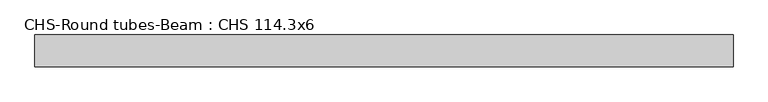
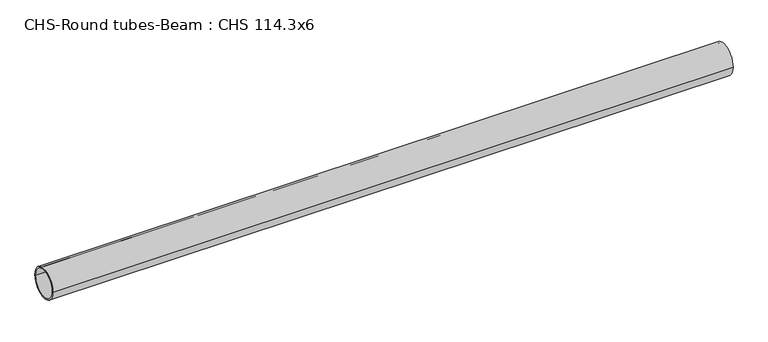
"""IFC4 building model written with IfcOpenShell, lengths in millimetres: beam geometry, CHS-Round tubes-Beam : CHS 114.3x6."""

from ifc_helpers import new_model, si_unit, point, frame, origin, origin_2d, place, context, project, spatial, circle_curve, trimmed, segment, composite_curve, outline, extrude, source, transform, mapped, element, save


def chs_round_tubes_beam_chs_114_3x6_443aa318(model_context):
    return source(origin(), model_context, "Body", "SweptSolid", [
        extrude(outline(composite_curve([segment(trimmed(circle_curve(origin_2d(), 57.15), [point((57.15, 0.0))], [point((-57.15, 0.0))], False, "CARTESIAN"), True, "CONTINUOUS"), segment(trimmed(circle_curve(origin_2d(), 57.15), [point((-57.15, 0.0))], [point((57.15, 0.0))], False, "CARTESIAN"), True, "CONTINUOUS")], self_intersect=False), holes=[composite_curve([segment(trimmed(circle_curve(origin_2d(), 51.15), [point((51.15, 0.0))], [point((-51.15, 0.0))], True, "CARTESIAN"), True, "CONTINUOUS"), segment(trimmed(circle_curve(origin_2d(), 51.15), [point((-51.15, 0.0))], [point((51.15, 0.0))], True, "CARTESIAN"), True, "CONTINUOUS")], self_intersect=False)]), frame((-1201.1765703, 0.0, 0.0), z_axis=(1.0, 0.0, 0.0), x_axis=(0.0, 1.0, 0.0)), (0.0, 0.0, 1.0), 2510.8868504),
    ])


if __name__ == "__main__":
    model = new_model("IFC4")
    model_context = context("Model", 3, world=origin())
    ifc_project = project(units=[si_unit("LENGTHUNIT", "METRE", prefix="MILLI")], contexts=[model_context])
    site = spatial("IfcSite", under=ifc_project)
    building = spatial("IfcBuilding", under=site)
    placement = place(None, origin())
    chs_round_tubes_beam_chs_114_3x6_shape = chs_round_tubes_beam_chs_114_3x6_443aa318(model_context)
    element("IfcBeam", 1, ObjectType="CHS-Round tubes-Beam : CHS 114.3x6", at=placement, inside=building, context=model_context, shape_type="MappedRepresentation", body=[
        mapped(chs_round_tubes_beam_chs_114_3x6_shape, transform((0.0, 0.0, 0.0), x_axis=(1.0, 0.0, 0.0), y_axis=(0.0, 1.0, 0.0), z_axis=(0.0, 0.0, 1.0))),
    ])
    save(model, "model.ifc")
